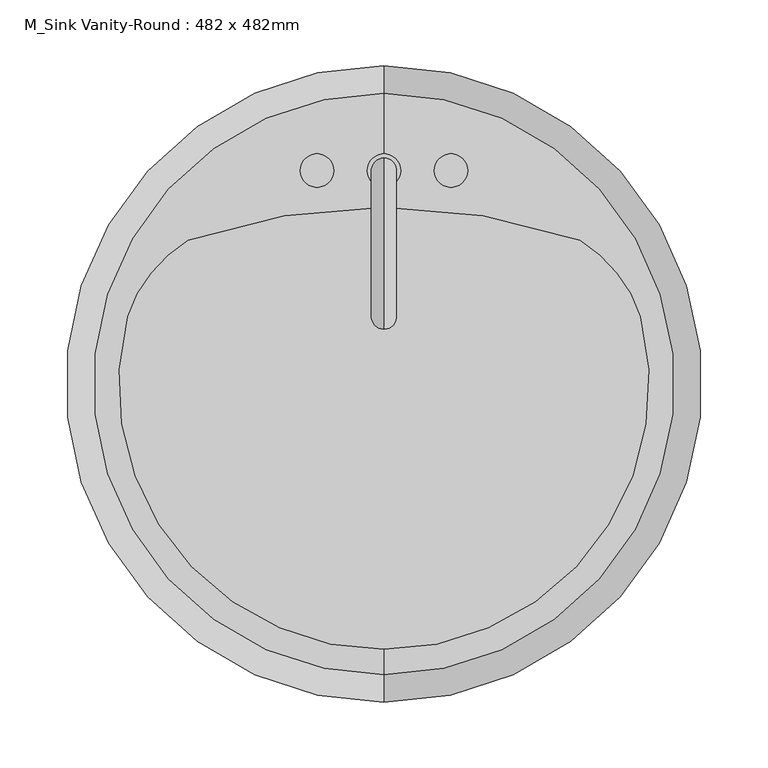
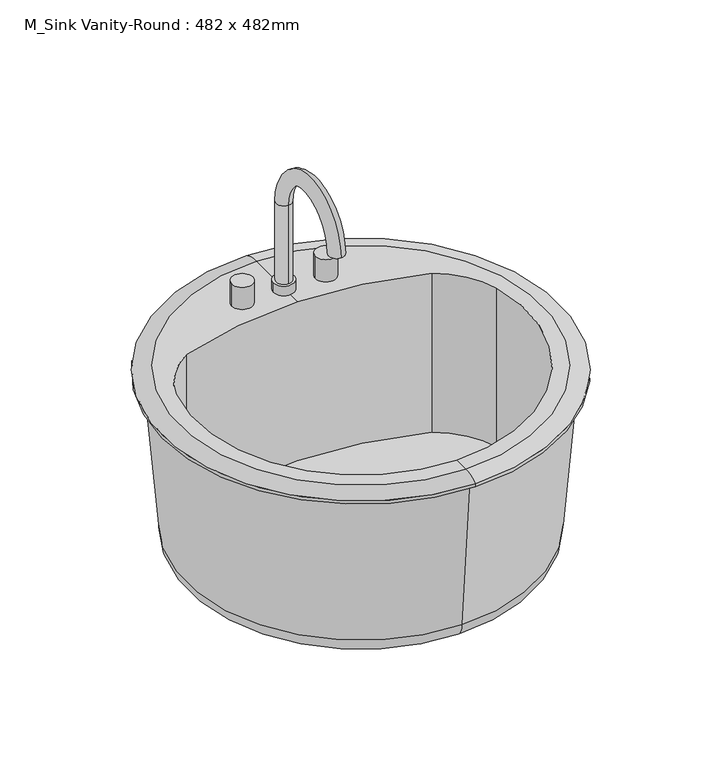
"""IFC4 building model written with IfcOpenShell, lengths in millimetres: flow terminal geometry, M_Sink Vanity-Round : 482 x 482mm."""

from ifc_helpers import new_model, si_unit, point, frame, frame_2d, origin, place, context, project, spatial, polyline, circle_curve, ellipse_curve, trimmed, segment, composite_curve, outline, extrude, source, transform, mapped, element, save
from ifc_brep_helpers import plane_surface, cylinder_surface, revolved_surface, advanced_brep


def m_sink_vanity_round_482_x_482mm_0851827a(model_context):
    return source(origin(), model_context, "Body", "SolidModel", [
        advanced_brep(
        [(83.9517406, 247.0927185, 771.7602909), (109.3517406, 247.0927185, 771.7602909), (96.6517406, 237.5677185, 771.7602909), (96.6517406, 256.6177185, 771.7602909), (83.9517406, 247.0927185, 759.525), (109.3517406, 247.0927185, 759.525), (96.6517406, 237.5677185, 872.2375), (96.6517406, 256.6177185, 872.2375), (96.6517406, 145.7775038, 872.2375), (96.6517406, 126.7275038, 872.2375)],
        [
            (0, 1, circle_curve(frame((96.6517406, 247.0927185, 771.7602909), z_axis=(0.0, 0.0, 1.0), x_axis=(1.0, 0.0, 0.0)), 12.7)),
            (1, 0, circle_curve(frame((96.6517406, 247.0927185, 771.7602909), z_axis=(0.0, 0.0, 1.0), x_axis=(1.0, 0.0, 0.0)), 12.7)),
            (2, 3, circle_curve(frame((96.6517406, 247.0927185, 771.7602909), z_axis=(0.0, 0.0, -1.0), x_axis=(0.0, 1.0, 0.0)), 9.525)),
            (3, 2, circle_curve(frame((96.6517406, 247.0927185, 771.7602909), z_axis=(0.0, 0.0, -1.0), x_axis=(0.0, 1.0, 0.0)), 9.525)),
            (4, 5, circle_curve(frame((96.6517406, 247.0927185, 759.525), z_axis=(0.0, 0.0, -1.0), x_axis=(1.0, 0.0, 0.0)), 12.7)),
            (5, 4, circle_curve(frame((96.6517406, 247.0927185, 759.525), z_axis=(0.0, 0.0, -1.0), x_axis=(1.0, 0.0, 0.0)), 12.7)),
            (0, 4),
            (5, 1),
            (6, 7, circle_curve(frame((96.6517406, 247.0927185, 872.2375), z_axis=(0.0, 0.0, -1.0), x_axis=(0.0, 1.0, 0.0)), 9.525)),
            (7, 3),
            (2, 6),
            (7, 6, circle_curve(frame((96.6517406, 247.0927185, 872.2375), z_axis=(0.0, 0.0, -1.0), x_axis=(0.0, 1.0, 0.0)), 9.525)),
            (8, 9, circle_curve(frame((96.6517406, 136.2525038, 872.2375), z_axis=(0.0, 0.0, -1.0), x_axis=(0.0, -1.0, 0.0)), 9.525)),
            (9, 8, circle_curve(frame((96.6517406, 136.2525038, 872.2375), z_axis=(0.0, 0.0, -1.0), x_axis=(0.0, -1.0, 0.0)), 9.525)),
            (6, 8, circle_curve(frame((96.6517406, 191.6726112, 872.2375), z_axis=(1.0, 0.0, 0.0), x_axis=(0.0, 1.0, 0.0)), 45.8951073)),
            (9, 7, circle_curve(frame((96.6517406, 191.6726112, 872.2375), z_axis=(-1.0, 0.0, 0.0), x_axis=(0.0, 1.0, 0.0)), 64.9451073)),
        ],
        [
            plane_surface(frame((109.3517406, 247.0927185, 771.7602909), z_axis=(0.0, 0.0, 1.0), x_axis=(0.0, 1.0, 0.0))),
            plane_surface(frame((109.3517406, 247.0927185, 759.525), z_axis=(0.0, 0.0, -1.0), x_axis=(0.0, -1.0, 0.0))),
            cylinder_surface(frame((96.6517406, 247.0927185, 759.525), z_axis=(0.0, 0.0, 1.0), x_axis=(1.0, 0.0, 0.0)), 12.7),
            cylinder_surface(frame((96.6517406, 247.0927185, 759.525), z_axis=(0.0, 0.0, -1.0), x_axis=(0.0, 1.0, 0.0)), 9.525),
            plane_surface(frame((96.6517406, 191.6726112, 872.2375), z_axis=(0.0, 0.0, -1.0), x_axis=(0.0, -1.0, 0.0))),
            revolved_surface(trimmed(ellipse_curve(frame((96.6517406, 247.0927185, 872.2375), z_axis=(0.0, 0.0, -1.0), x_axis=(0.0, 1.0, 0.0)), 9.525, 9.525), [point((96.6517406, 237.5677185, 872.2375))], [point((96.6517406, 256.6177185, 872.2375))], True, "CARTESIAN"), (96.6517406, 191.6726112, 872.2375), (1.0, 0.0, 0.0)),
            revolved_surface(trimmed(ellipse_curve(frame((96.6517406, 247.0927185, 872.2375), z_axis=(0.0, 0.0, -1.0), x_axis=(0.0, 1.0, 0.0)), 9.525, 9.525), [point((96.6517406, 256.6177185, 872.2375))], [point((96.6517406, 237.5677185, 872.2375))], True, "CARTESIAN"), (96.6517406, 191.6726112, 872.2375), (1.0, 0.0, 0.0)),
        ],
        [
            (0, [[1, 2], [3, 4]]),
            (1, [[5, 6]]),
            (2, [[-1, 7, -6, 8]]),
            (2, [[-2, -8, -5, -7]]),
            (3, [[9, 10, -3, 11]]),
            (3, [[12, -11, -4, -10]]),
            (4, [[13, 14]]),
            (5, [[-9, 15, -14, 16]]),
            (6, [[-12, -16, -13, -15]]),
        ],
    ),
        extrude(outline(composite_curve([segment(trimmed(circle_curve(frame_2d((45.8517406, 247.0927185)), 12.7), [point((33.1517406, 247.0927185))], [point((58.5517406, 247.0927185))], False, "CARTESIAN"), True, "CONTINUOUS"), segment(trimmed(circle_curve(frame_2d((45.8517406, 247.0927185)), 12.7), [point((58.5517406, 247.0927185))], [point((33.1517406, 247.0927185))], False, "CARTESIAN"), True, "CONTINUOUS")], self_intersect=False)), frame((0.0, 0.0, 759.525), z_axis=(0.0, 0.0, 1.0), x_axis=(1.0, 0.0, 0.0)), (0.0, 0.0, 1.0), 28.575),
        extrude(outline(composite_curve([segment(trimmed(circle_curve(frame_2d((147.4517406, 247.0927185)), 12.7), [point((134.7517406, 247.0927185))], [point((160.1517406, 247.0927185))], False, "CARTESIAN"), True, "CONTINUOUS"), segment(trimmed(circle_curve(frame_2d((147.4517406, 247.0927185)), 12.7), [point((160.1517406, 247.0927185))], [point((134.7517406, 247.0927185))], False, "CARTESIAN"), True, "CONTINUOUS")], self_intersect=False)), frame((0.0, 0.0, 759.525), z_axis=(0.0, 0.0, 1.0), x_axis=(1.0, 0.0, 0.0)), (0.0, 0.0, 1.0), 28.575),
        advanced_brep(
        [(96.6517406, -135.3870093, 759.525), (96.6517406, 305.7224463, 759.525), (96.6517406, 326.4677185, 753.96875), (96.6517406, -156.1322815, 753.96875), (96.6517406, -116.2405705, 759.525), (-98.1703414, 136.2525038, 759.525), (-52.1534933, 194.0861398, 759.525), (96.6517406, 219.2662048, 759.525), (245.4569744, 194.0861398, 759.525), (291.4738225, 136.2525038, 759.525), (96.6517406, -107.1264028, 534.1), (96.6517406, 277.4618398, 534.1), (96.6517406, 85.1677185, 534.1), (96.6517406, -127.6827361, 555.2842611), (96.6517406, 298.0181731, 555.2842611), (96.6517406, -144.2260315, 750.0), (96.6517406, 314.5614685, 750.0), (96.6517406, -156.1322815, 750.0), (96.6517406, 326.4677185, 750.0), (245.4569744, 194.0861398, 555.2842611), (-52.1534933, 194.0861398, 555.2842611), (-98.1703414, 136.2525038, 555.2842611), (291.4738225, 136.2525038, 555.2842611)],
        [
            (0, 1, circle_curve(frame((96.6517406, 85.1677185, 759.525), z_axis=(0.0, 0.0, -1.0), x_axis=(0.0, 1.0, 0.0)), 220.5547278)),
            (1, 2, circle_curve(frame((96.6517406, 309.4374616, 731.889434), z_axis=(-1.0, 0.0, 0.0), x_axis=(0.0, 1.0, 0.0)), 27.8841505)),
            (2, 3, circle_curve(frame((96.6517406, 85.1677185, 753.96875), z_axis=(0.0, 0.0, 1.0), x_axis=(0.0, 1.0, 0.0)), 241.3)),
            (3, 0, circle_curve(frame((96.6517406, -139.1020246, 731.889434), z_axis=(-1.0, 0.0, 0.0), x_axis=(0.0, -1.0, 0.0)), 27.8841505)),
            (1, 0, circle_curve(frame((96.6517406, 85.1677185, 759.525), z_axis=(0.0, 0.0, -1.0), x_axis=(0.0, 1.0, 0.0)), 220.5547278)),
            (3, 2, circle_curve(frame((96.6517406, 85.1677185, 753.96875), z_axis=(0.0, 0.0, 1.0), x_axis=(0.0, 1.0, 0.0)), 241.3)),
            (0, 4),
            (4, 5, circle_curve(frame((96.6517406, 85.1677185, 759.525), z_axis=(0.0, 0.0, -1.0), x_axis=(1.0, 0.0, 0.0)), 201.408289)),
            (5, 6, circle_curve(frame((1.3689689, 104.2755165, 759.525), z_axis=(0.0, 0.0, -1.0), x_axis=(1.0, 0.0, 0.0)), 104.5495194)),
            (6, 7, circle_curve(frame((96.6517406, -233.0168462, 759.525), z_axis=(0.0, 0.0, -1.0), x_axis=(1.0, 0.0, 0.0)), 452.283051)),
            (7, 1),
            (7, 8, circle_curve(frame((96.6517406, -233.0168462, 759.525), z_axis=(0.0, 0.0, -1.0), x_axis=(1.0, 0.0, 0.0)), 452.283051)),
            (8, 9, circle_curve(frame((191.9345122, 104.2755165, 759.525), z_axis=(0.0, 0.0, -1.0), x_axis=(1.0, 0.0, 0.0)), 104.5495194)),
            (9, 4, circle_curve(frame((96.6517406, 85.1677185, 759.525), z_axis=(0.0, 0.0, -1.0), x_axis=(1.0, 0.0, 0.0)), 201.408289)),
            (10, 11, circle_curve(frame((96.6517406, 85.1677185, 534.1), z_axis=(0.0, 0.0, -1.0), x_axis=(0.0, 1.0, 0.0)), 192.2941213)),
            (11, 12),
            (12, 10),
            (11, 10, circle_curve(frame((96.6517406, 85.1677185, 534.1), z_axis=(0.0, 0.0, -1.0), x_axis=(0.0, 1.0, 0.0)), 192.2941213)),
            (10, 13, circle_curve(frame((96.6517406, -107.1264028, 554.6656396), z_axis=(-1.0, 0.0, 0.0), x_axis=(0.0, -1.0, 0.0)), 20.5656396)),
            (13, 14, circle_curve(frame((96.6517406, 85.1677185, 555.2842611), z_axis=(0.0, 0.0, -1.0), x_axis=(0.0, 1.0, 0.0)), 212.8504546)),
            (14, 11, circle_curve(frame((96.6517406, 277.4618398, 554.6656396), z_axis=(-1.0, 0.0, 0.0), x_axis=(0.0, 1.0, 0.0)), 20.5656396)),
            (14, 13, circle_curve(frame((96.6517406, 85.1677185, 555.2842611), z_axis=(0.0, 0.0, -1.0), x_axis=(0.0, 1.0, 0.0)), 212.8504546)),
            (13, 15),
            (15, 16, circle_curve(frame((96.6517406, 85.1677185, 750.0), z_axis=(0.0, 0.0, -1.0), x_axis=(0.0, 1.0, 0.0)), 229.39375)),
            (16, 14),
            (16, 15, circle_curve(frame((96.6517406, 85.1677185, 750.0), z_axis=(0.0, 0.0, -1.0), x_axis=(0.0, 1.0, 0.0)), 229.39375)),
            (15, 17),
            (17, 18, circle_curve(frame((96.6517406, 85.1677185, 750.0), z_axis=(0.0, 0.0, -1.0), x_axis=(0.0, 1.0, 0.0)), 241.3)),
            (18, 16),
            (18, 17, circle_curve(frame((96.6517406, 85.1677185, 750.0), z_axis=(0.0, 0.0, -1.0), x_axis=(0.0, 1.0, 0.0)), 241.3)),
            (2, 18),
            (17, 3),
            (19, 20, circle_curve(frame((96.6517406, -233.0168462, 555.2842611), z_axis=(0.0, 0.0, 1.0), x_axis=(1.0, 0.0, 0.0)), 452.283051)),
            (20, 21, circle_curve(frame((1.3689689, 104.2755165, 555.2842611), z_axis=(0.0, 0.0, 1.0), x_axis=(1.0, 0.0, 0.0)), 104.5495194)),
            (21, 22, circle_curve(frame((96.6517406, 85.1677185, 555.2842611), z_axis=(0.0, 0.0, 1.0), x_axis=(1.0, 0.0, 0.0)), 201.408289)),
            (22, 19, circle_curve(frame((191.9345122, 104.2755165, 555.2842611), z_axis=(0.0, 0.0, 1.0), x_axis=(1.0, 0.0, 0.0)), 104.5495194)),
            (19, 8),
            (6, 20),
            (5, 21),
            (9, 22),
        ],
        [
            revolved_surface(trimmed(ellipse_curve(frame((96.6517406, 309.4374616, 731.889434), z_axis=(1.0, 0.0, 0.0), x_axis=(0.0, 1.0, 0.0)), 27.8841505, 27.8841505), [point((96.6517406, 326.4677185, 753.96875))], [point((96.6517406, 305.7224463, 759.525))], True, "CARTESIAN"), (96.6517406, 85.1677185, 759.525), (0.0, 0.0, 1.0)),
            plane_surface(frame((96.6517406, 85.1677185, 759.525), z_axis=(0.0, 0.0, 1.0), x_axis=(0.0, 1.0, 0.0))),
            plane_surface(frame((96.6517406, 85.1677185, 534.1), z_axis=(0.0, 0.0, -1.0), x_axis=(0.0, 1.0, 0.0))),
            revolved_surface(trimmed(ellipse_curve(frame((96.6517406, 277.4618398, 554.6656396), z_axis=(1.0, 0.0, 0.0), x_axis=(0.0, 1.0, 0.0)), 20.5656396, 20.5656396), [point((96.6517406, 277.4618398, 534.1))], [point((96.6517406, 298.0181731, 555.2842611))], True, "CARTESIAN"), (96.6517406, 85.1677185, 759.525), (0.0, 0.0, 1.0)),
            revolved_surface(polyline([(96.6517406, 298.0181731, 555.2842611), (96.6517406, 314.5614685, 750.0)]), (96.6517406, 85.1677185, 759.525), (0.0, 0.0, 1.0)),
            plane_surface(frame((96.6517406, 85.1677185, 750.0), z_axis=(0.0, 0.0, -1.0), x_axis=(0.0, 1.0, 0.0))),
            cylinder_surface(frame((96.6517406, 85.1677185, 759.525), z_axis=(0.0, 0.0, 1.0), x_axis=(0.0, 1.0, 0.0)), 241.3),
            plane_surface(frame((548.9347916, -233.0168462, 555.2842611), z_axis=(0.0, 0.0, 1.0), x_axis=(0.0, -1.0, 0.0))),
            revolved_surface(polyline([(548.9347916, -233.0168462, 759.525), (548.9347916, -233.0168462, 555.2842611)]), (96.6517406, -233.0168462, 555.2842611), (0.0, 0.0, 1.0)),
            revolved_surface(polyline([(105.91848829999999, 104.2755165, 759.525), (105.91848829999999, 104.2755165, 555.2842611)]), (1.3689689, 104.2755165, 555.2842611), (0.0, 0.0, 1.0)),
            revolved_surface(polyline([(298.0600296, 85.1677185, 759.525), (298.0600296, 85.1677185, 555.2842611)]), (96.6517406, 85.1677185, 555.2842611), (0.0, 0.0, 1.0)),
            revolved_surface(polyline([(296.4840316, 104.2755165, 759.525), (296.4840316, 104.2755165, 555.2842611)]), (191.9345122, 104.2755165, 555.2842611), (0.0, 0.0, 1.0)),
        ],
        [
            (0, [[1, 2, 3, 4]]),
            (0, [[-2, 5, -4, 6]]),
            (1, [[-1, 7, 8, 9, 10, 11]]),
            (1, [[-5, -11, 12, 13, 14, -7]]),
            (2, [[15, 16, 17]]),
            (2, [[-16, 18, -17]]),
            (3, [[-15, 19, 20, 21]]),
            (3, [[-18, -21, 22, -19]]),
            (4, [[-20, 23, 24, 25]]),
            (4, [[-22, -25, 26, -23]]),
            (5, [[-24, 27, 28, 29]]),
            (5, [[-26, -29, 30, -27]]),
            (6, [[-3, 31, -28, 32]]),
            (6, [[-6, -32, -30, -31]]),
            (7, [[33, 34, 35, 36]]),
            (8, [[-33, 37, -12, -10, 38]]),
            (9, [[-34, -38, -9, 39]]),
            (10, [[-35, -39, -8, -14, 40]]),
            (11, [[-36, -40, -13, -37]]),
        ],
    ),
    ])


if __name__ == "__main__":
    model = new_model("IFC4")
    model_context = context("Model", 3, world=origin())
    ifc_project = project(units=[si_unit("LENGTHUNIT", "METRE", prefix="MILLI")], contexts=[model_context])
    site = spatial("IfcSite", under=ifc_project)
    building = spatial("IfcBuilding", under=site)
    placement = place(None, origin())
    m_sink_vanity_round_482_x_482mm_shape = m_sink_vanity_round_482_x_482mm_0851827a(model_context)
    element("IfcFlowTerminal", 1, ObjectType="M_Sink Vanity-Round : 482 x 482mm", at=placement, inside=building, context=model_context, shape_type="MappedRepresentation", body=[
        mapped(m_sink_vanity_round_482_x_482mm_shape, transform((0.0, 0.0, 0.0), x_axis=(1.0, 0.0, 0.0), y_axis=(0.0, 1.0, 0.0), z_axis=(0.0, 0.0, 1.0))),
    ])
    save(model, "model.ifc")
